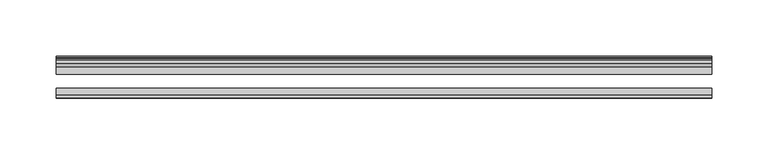
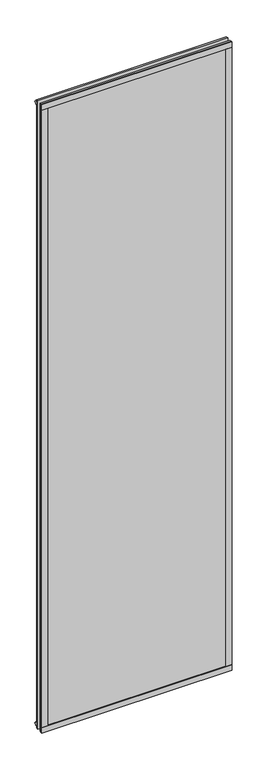
"""IFC4 building model written with IfcOpenShell, lengths in millimetres: plate geometry."""

from ifc_helpers import new_model, si_unit, frame, origin, origin_with_axes, place, context, project, spatial, polyline, outline, extrude, source, transform, mapped, element, save


def plate_53651b6f(model_context):
    return source(origin(), model_context, "Body", "SweptSolid", [
        extrude(outline(polyline([(290.5125, -44.4293643), (290.5125, -46.7153636), (-290.5125, -46.7153636), (-290.5125, -44.4293643), (290.5125, -44.4293643)])), frame((0.0, 0.0, 1993.8873003), z_axis=(0.0, 0.0, 1.0), x_axis=(1.0, 0.0, 0.0)), (0.0, 0.0, 1.0), 17.4752),
        extrude(outline(polyline([(290.5125, -44.4293643), (290.5125, -46.7153636), (-290.5125, -46.7153636), (-290.5125, -44.4293643), (290.5125, -44.4293643)])), frame((0.0, 0.0, -17.4625), z_axis=(0.0, 0.0, 1.0), x_axis=(1.0, 0.0, 0.0)), (0.0, 0.0, 1.0), 17.4752),
        extrude(outline(polyline([(-16.311566, -12.4459992), (-19.5373643, -9.7597211), (-19.5373643, 1.1616223), (-13.365166, -0.5079992), (-13.365166, -5.7149992), (-10.9849691, -6.0959992), (-11.4449023, -4.6804701), (-10.6436881, -4.6804701), (-9.936166, -6.8579992), (-10.6436881, -9.0355282), (-11.4449023, -9.0355282), (-10.9849691, -7.6199992), (-13.365166, -8.0009992), (-13.365166, -12.4459992), (-16.311566, -12.4459992)])), frame((-290.5125, 0.0, 0.0), z_axis=(1.0, 0.0, 0.0), x_axis=(0.0, 1.0, 0.0)), (0.0, 0.0, 1.0), 581.0249999),
        extrude(outline(polyline([(-16.311566, 2006.3459995), (-13.365166, 2006.3459995), (-13.365166, 2001.9009995), (-10.9849691, 2001.5199995), (-11.4449023, 2002.9355285), (-10.6436881, 2002.9355285), (-9.936166, 2000.7579995), (-10.6436881, 1998.5804704), (-11.4449023, 1998.5804704), (-10.9849691, 1999.9959995), (-13.365166, 1999.6149995), (-13.365166, 1994.4079995), (-19.5373643, 1992.738378), (-19.5373643, 2003.6597214), (-16.311566, 2006.3459995)])), frame((-290.5125, 0.0, 0.0), z_axis=(1.0, 0.0, 0.0), x_axis=(0.0, 1.0, 0.0)), (0.0, 0.0, 1.0), 581.0249999),
        extrude(outline(polyline([(-271.8883776, -19.5373643), (-282.8097211, -19.5373643), (-285.4959991, -16.311566), (-285.4959991, -13.365166), (-281.0509991, -13.365166), (-280.6699991, -10.9849691), (-282.0855282, -11.4449023), (-282.0855282, -10.6436881), (-279.9079991, -9.936166), (-277.7304701, -10.6436881), (-277.7304701, -11.4449023), (-279.1459991, -10.9849691), (-278.7649991, -13.365166), (-273.5579991, -13.365166), (-271.8883776, -19.5373643)])), origin_with_axes(), (0.0, 0.0, 1.0), 1993.9000003),
        extrude(outline(polyline([(-273.0373, -44.4293643), (-273.0373, -46.7153636), (-290.5125, -46.7153636), (-290.5125, -44.4293643), (-273.0373, -44.4293643)])), origin_with_axes(), (0.0, 0.0, 1.0), 1993.9000003),
        extrude(outline(polyline([(271.9010778, -19.5373643), (273.5706993, -13.365166), (278.7776993, -13.365166), (279.1586993, -10.9849691), (277.7431703, -11.4449023), (277.7431703, -10.6436881), (279.9206993, -9.936166), (282.0982284, -10.6436881), (282.0982284, -11.4449023), (280.6826993, -10.9849691), (281.0636993, -13.365166), (285.5086993, -13.365166), (285.5086993, -16.311566), (282.8224213, -19.5373643), (271.9010778, -19.5373643)])), origin_with_axes(), (0.0, 0.0, 1.0), 1993.9000003),
        extrude(outline(polyline([(290.5252002, -46.7153636), (273.0499998, -46.7153636), (273.0499998, -44.4293643), (290.5252002, -44.4293643), (290.5252002, -46.7153636)])), origin_with_axes(), (0.0, 0.0, 1.0), 1993.9000003),
        extrude(outline(polyline([(290.5125, -19.5373643), (290.5125, -25.8250158), (-290.5125, -25.8250158), (-290.5125, -19.5373643), (290.5125, -19.5373643)])), frame((0.0, 0.0, -17.4497998), z_axis=(0.0, 0.0, 1.0), x_axis=(1.0, 0.0, 0.0)), (0.0, 0.0, 1.0), 2028.8123001),
        extrude(outline(polyline([(-290.5125, -44.4293643), (-290.5125, -38.1186142), (290.5125, -38.1186142), (290.5125, -44.4293643), (-290.5125, -44.4293643)])), frame((0.0, 0.0, -17.4497998), z_axis=(0.0, 0.0, 1.0), x_axis=(1.0, 0.0, 0.0)), (0.0, 0.0, 1.0), 2028.8123001),
    ])


if __name__ == "__main__":
    model = new_model("IFC4")
    model_context = context("Model", 3, world=origin())
    ifc_project = project(units=[si_unit("LENGTHUNIT", "METRE", prefix="MILLI")], contexts=[model_context])
    site = spatial("IfcSite", under=ifc_project)
    building = spatial("IfcBuilding", under=site)
    placement = place(None, origin())
    plate_shape = plate_53651b6f(model_context)
    element("IfcPlate", 1, at=placement, inside=building, context=model_context, shape_type="MappedRepresentation", body=[
        mapped(plate_shape, transform((0.0, 0.0, 0.0), x_axis=(1.0, 0.0, 0.0), y_axis=(0.0, 1.0, 0.0), z_axis=(0.0, 0.0, 1.0))),
    ])
    save(model, "model.ifc")
